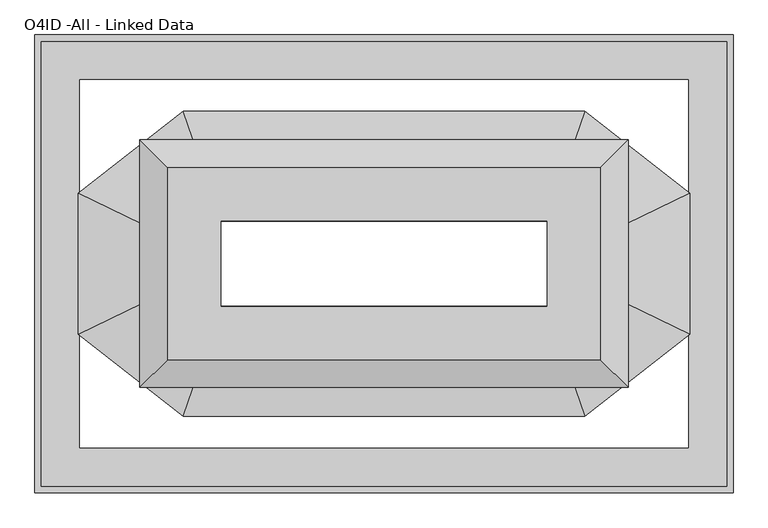
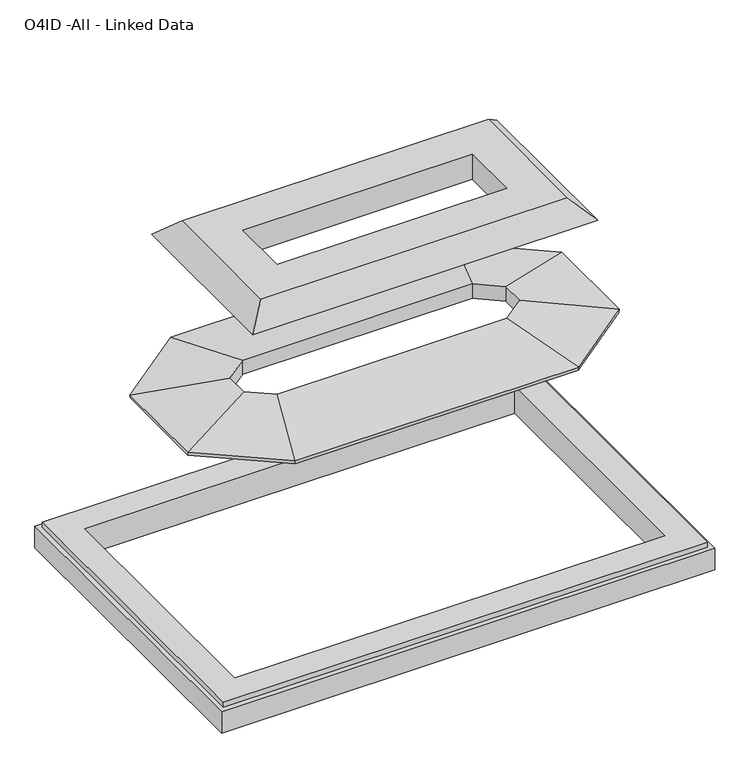
"""IFC4 building model written with IfcOpenShell, lengths in millimetres: proxy geometry, O4ID -All - Linked Data."""

from ifc_helpers import new_model, si_unit, origin, place, context, project, spatial, faceted_brep, source, transform, mapped, element, save


def o4id_all_linked_data_6f35a8b8(model_context):
    return source(origin(), model_context, "Body", "Brep", [
        faceted_brep([(1840.8633413, -1128.1373819, 995.8677213), (1840.1039846, -1130.3427138, 983.3606629), (839.1902753, -1130.3427138, 983.3606629), (838.4309186, -1128.1373819, 995.8677213), (1884.4867915, -1001.4456831, 973.5285566), (794.8074684, -1001.4456831, 973.5285566), (1885.293608, -999.102518, 986.8173062), (794.0006519, -999.102518, 986.8173062), (1781.9369938, -1299.2719211, 1039.7452708), (897.3572661, -1299.2719211, 1039.7452708), (1781.9369938, -1299.2719211, 981.0712082), (897.3572661, -1299.2719211, 981.0712082), (637.3227269, -1285.2603215, 995.8677213), (639.5280587, -1286.3359337, 983.3606629), (639.5280587, -1542.3319085, 983.3606629), (637.3227269, -1543.4075207, 995.8677213), (510.631028, -1223.4686513, 973.5285566), (510.631028, -1605.1991909, 973.5285566), (508.2878629, -1222.3258133, 986.8173062), (508.2878629, -1606.3420289, 986.8173062), (808.4572661, -1368.7282133, 1039.7452708), (808.4572661, -1459.9396289, 1039.7452708), (808.4572661, -1368.7282133, 981.0712082), (808.4572661, -1459.9396289, 981.0712082), (838.4309186, -1700.5304603, 995.8677213), (839.1902753, -1698.3251285, 983.3606629), (1840.1039846, -1698.3251285, 983.3606629), (1840.8633413, -1700.5304603, 995.8677213), (794.8074684, -1827.2221592, 973.5285566), (1884.4867915, -1827.2221592, 973.5285566), (794.0006519, -1829.5653242, 986.8173062), (1885.293608, -1829.5653242, 986.8173062), (897.3572661, -1529.3959211, 1039.7452708), (1781.9369938, -1529.3959211, 1039.7452708), (897.3572661, -1529.3959211, 981.0712082), (1781.9369938, -1529.3959211, 981.0712082), (2039.7662012, -1542.3319085, 983.3606629), (2041.971533, -1543.4075207, 995.8677213), (2168.6632319, -1605.1991909, 973.5285566), (2171.0063969, -1606.3420289, 986.8173062), (1870.8369938, -1459.9396289, 1039.7452708), (1870.8369938, -1459.9396289, 981.0712082), (2039.7662012, -1286.3359337, 983.3606629), (2041.971533, -1285.2603215, 995.8677213), (2168.6632319, -1223.4686513, 973.5285566), (2171.0063969, -1222.3258133, 986.8173062), (1870.8369938, -1368.7282133, 1039.7452708), (1870.8369938, -1368.7282133, 981.0712082)], [[[0, 1, 2, 3]], [[4, 0, 3, 5]], [[6, 4, 5, 7]], [[8, 6, 7, 9]], [[10, 8, 9, 11]], [[1, 10, 11, 2]], [[12, 13, 14, 15]], [[16, 12, 15, 17]], [[18, 16, 17, 19]], [[20, 18, 19, 21]], [[22, 20, 21, 23]], [[13, 22, 23, 14]], [[24, 25, 26, 27]], [[28, 24, 27, 29]], [[30, 28, 29, 31]], [[32, 30, 31, 33]], [[34, 32, 33, 35]], [[25, 34, 35, 26]], [[3, 2, 13, 12]], [[5, 3, 12, 16]], [[7, 5, 16, 18]], [[9, 7, 18, 20]], [[11, 9, 20, 22]], [[2, 11, 22, 13]], [[15, 14, 25, 24]], [[17, 15, 24, 28]], [[19, 17, 28, 30]], [[21, 19, 30, 32]], [[23, 21, 32, 34]], [[14, 23, 34, 25]], [[27, 26, 36, 37]], [[29, 27, 37, 38]], [[31, 29, 38, 39]], [[33, 31, 39, 40]], [[35, 33, 40, 41]], [[26, 35, 41, 36]], [[37, 36, 42, 43]], [[38, 37, 43, 44]], [[39, 38, 44, 45]], [[40, 39, 45, 46]], [[41, 40, 46, 47]], [[36, 41, 47, 42]], [[43, 42, 1, 0]], [[44, 43, 0, 4]], [[45, 44, 4, 6]], [[46, 45, 6, 8]], [[47, 46, 8, 10]], [[42, 47, 10, 1]]]),
        faceted_brep([(2288.9844993, -2036.4434266, 233.7483804), (2288.9844993, -2036.4434266, 146.05), (2288.9844993, -792.224428, 146.05), (2288.9844993, -792.224428, 233.7483804), (2271.0774993, -2018.5364266, 254.0), (2271.0774993, -2018.5364266, 233.7483804), (2271.0774993, -810.131428, 233.7483804), (2271.0774993, -810.131428, 254.0), (2167.2735789, -1914.7325062, 146.05), (2167.2735789, -1914.7325062, 254.0), (2167.2735789, -913.9353484, 254.0), (2167.2735789, -913.9353484, 146.05), (390.7155007, -792.224428, 146.05), (390.7155007, -792.224428, 233.7483804), (408.6225007, -810.131428, 233.7483804), (408.6225007, -810.131428, 254.0), (512.4264211, -913.9353484, 254.0), (512.4264211, -913.9353484, 146.05), (390.7155007, -2036.4434266, 146.05), (390.7155007, -2036.4434266, 233.7483804), (408.6225007, -2018.5364266, 233.7483804), (408.6225007, -2018.5364266, 254.0), (512.4264211, -1914.7325062, 254.0), (512.4264211, -1914.7325062, 146.05)], [[[0, 1, 2, 3]], [[4, 5, 6, 7]], [[8, 9, 10, 11]], [[3, 2, 12, 13]], [[7, 6, 14, 15]], [[11, 10, 16, 17]], [[13, 12, 18, 19]], [[15, 14, 20, 21]], [[17, 16, 22, 23]], [[19, 18, 1, 0]], [[3, 13, 19, 0], [5, 20, 14, 6]], [[21, 20, 5, 4]], [[7, 15, 21, 4], [9, 22, 16, 10]], [[23, 22, 9, 8]], [[1, 18, 12, 2], [11, 17, 23, 8]]]),
        faceted_brep([(1877.387262, -1624.8461893, 1451.8137468), (1863.6271571, -1611.0860844, 1465.0574766), (1863.6271571, -1217.5817702, 1465.0574766), (1877.387262, -1203.8216653, 1451.8137468), (1941.100553, -1688.5594803, 1517.7907911), (1941.100553, -1140.1083743, 1517.7907911), (1964.0999569, -1711.5588842, 1494.7913873), (1964.0999569, -1117.1089704, 1494.7913873), (1929.6515254, -1677.1104527, 1568.45), (2003.3101382, -1750.7690655, 1494.7913873), (2003.3101382, -1077.8987891, 1494.7913873), (1929.6515254, -1151.5574019, 1568.45), (1781.9369938, -1529.3959211, 1465.0574766), (1781.9369938, -1529.3959211, 1568.45), (1781.9369938, -1299.2719335, 1568.45), (1781.9369938, -1299.2719335, 1465.0574766), (816.0728429, -1217.5817702, 1465.0574766), (802.312738, -1203.8216653, 1451.8137468), (738.599447, -1140.1083743, 1517.7907911), (715.6000431, -1117.1089704, 1494.7913873), (676.3898618, -1077.8987891, 1494.7913873), (750.0484746, -1151.5574019, 1568.45), (897.7630062, -1299.2719335, 1568.45), (897.7630062, -1299.2719335, 1465.0574766), (816.0728429, -1611.0860844, 1465.0574766), (802.312738, -1624.8461893, 1451.8137468), (738.599447, -1688.5594803, 1517.7907911), (715.6000431, -1711.5588842, 1494.7913873), (676.3898618, -1750.7690655, 1494.7913873), (750.0484746, -1677.1104527, 1568.45), (897.7630062, -1529.3959211, 1568.45), (897.7630062, -1529.3959211, 1465.0574766)], [[[0, 1, 2, 3]], [[4, 0, 3, 5]], [[6, 4, 5, 7]], [[8, 9, 10, 11]], [[12, 13, 14, 15]], [[3, 2, 16, 17]], [[5, 3, 17, 18]], [[7, 5, 18, 19]], [[11, 10, 20, 21]], [[15, 14, 22, 23]], [[17, 16, 24, 25]], [[18, 17, 25, 26]], [[19, 18, 26, 27]], [[21, 20, 28, 29]], [[23, 22, 30, 31]], [[1, 24, 16, 2], [15, 23, 31, 12]], [[25, 24, 1, 0]], [[26, 25, 0, 4]], [[27, 26, 4, 6]], [[9, 28, 20, 10], [7, 19, 27, 6]], [[29, 28, 9, 8]], [[11, 21, 29, 8], [13, 30, 22, 14]], [[31, 30, 13, 12]]]),
    ])


if __name__ == "__main__":
    model = new_model("IFC4")
    model_context = context("Model", 3, world=origin())
    ifc_project = project(units=[si_unit("LENGTHUNIT", "METRE", prefix="MILLI")], contexts=[model_context])
    site = spatial("IfcSite", under=ifc_project)
    building = spatial("IfcBuilding", under=site)
    placement = place(None, origin())
    o4id_all_linked_data_shape = o4id_all_linked_data_6f35a8b8(model_context)
    element("IfcBuildingElementProxy", 1, Name="O4ID -All - Linked Data", ObjectType="O4ID -All - Linked Data", at=placement, inside=building, context=model_context, shape_type="MappedRepresentation", body=[
        mapped(o4id_all_linked_data_shape, transform((0.0, 0.0, 0.0), x_axis=(1.0, 0.0, 0.0), y_axis=(0.0, 1.0, 0.0), z_axis=(0.0, 0.0, 1.0))),
    ])
    save(model, "model.ifc")
